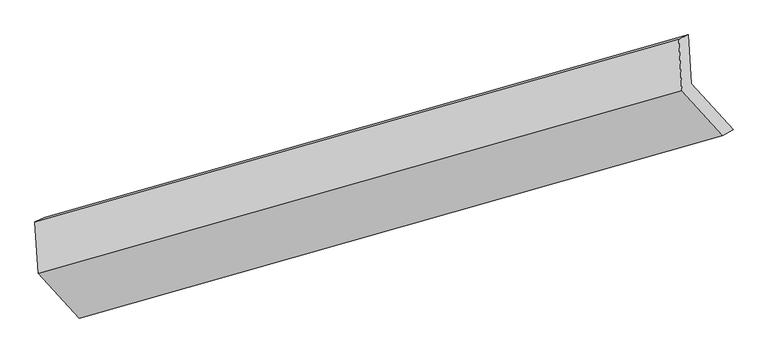
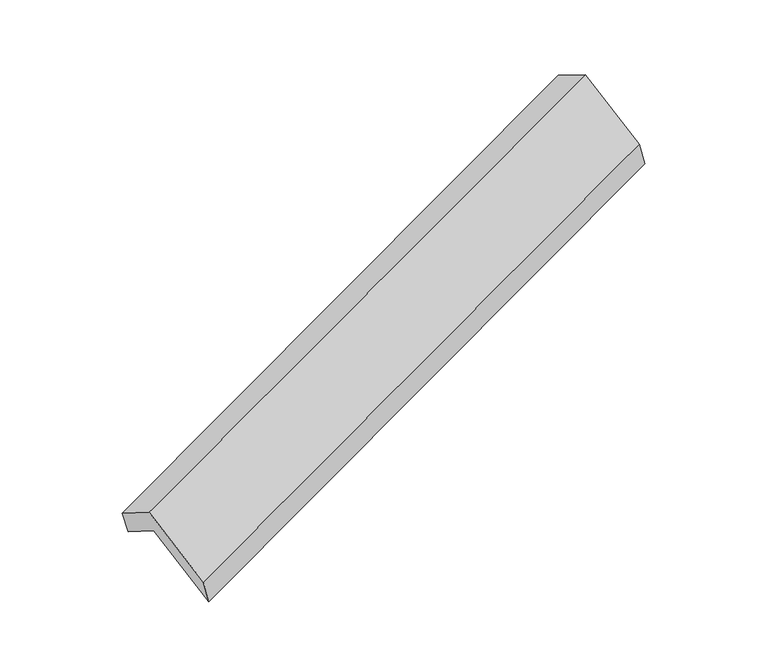
"""IFC4 building model written with IfcOpenShell, lengths in millimetres: proxy geometry."""

from ifc_helpers import new_model, si_unit, origin, place, context, project, spatial, faceted_brep, source, transform, mapped, element, save


def generic_models_2ef429dd(model_context):
    return source(origin(), model_context, "Body", "Brep", [
        faceted_brep([(-5095.2371051, -2113.8016327, 1270.8245116), (-5115.8831314, -1781.7785147, 1069.0805134), (-755.5014415, -542.9323509, 2661.6979609), (-734.8554153, -874.9554689, 2863.4419591), (-5181.4365848, -1810.2817065, 1271.8229239), (-821.0548949, -571.4355427, 2864.4403714), (-5159.7292249, -2159.3728701, 1483.9378136), (-799.3475351, -920.5267063, 3076.5552611), (-4881.8068585, -2463.3305667, 955.2530665), (-521.4251686, -1224.4844029, 2547.870514), (-4813.167746, -2422.2948058, 734.2510443), (-452.7860561, -1183.448642, 2326.8684918)], [[[0, 1, 2, 3]], [[1, 4, 5, 2]], [[4, 6, 7, 5]], [[6, 8, 9, 7]], [[8, 10, 11, 9]], [[10, 0, 3, 11]], [[9, 11, 3, 2, 5, 7]], [[0, 10, 8, 6, 4, 1]]]),
    ])


if __name__ == "__main__":
    model = new_model("IFC4")
    model_context = context("Model", 3, world=origin())
    ifc_project = project(units=[si_unit("LENGTHUNIT", "METRE", prefix="MILLI")], contexts=[model_context])
    site = spatial("IfcSite", under=ifc_project)
    building = spatial("IfcBuilding", under=site)
    placement = place(None, origin())
    generic_models_shape = generic_models_2ef429dd(model_context)
    element("IfcBuildingElementProxy", 1, Name="Generic Models", at=placement, inside=building, context=model_context, shape_type="MappedRepresentation", body=[
        mapped(generic_models_shape, transform((0.0, 0.0, 0.0), x_axis=(1.0, 0.0, 0.0), y_axis=(0.0, 1.0, 0.0), z_axis=(0.0, 0.0, 1.0))),
    ])
    save(model, "model.ifc")
